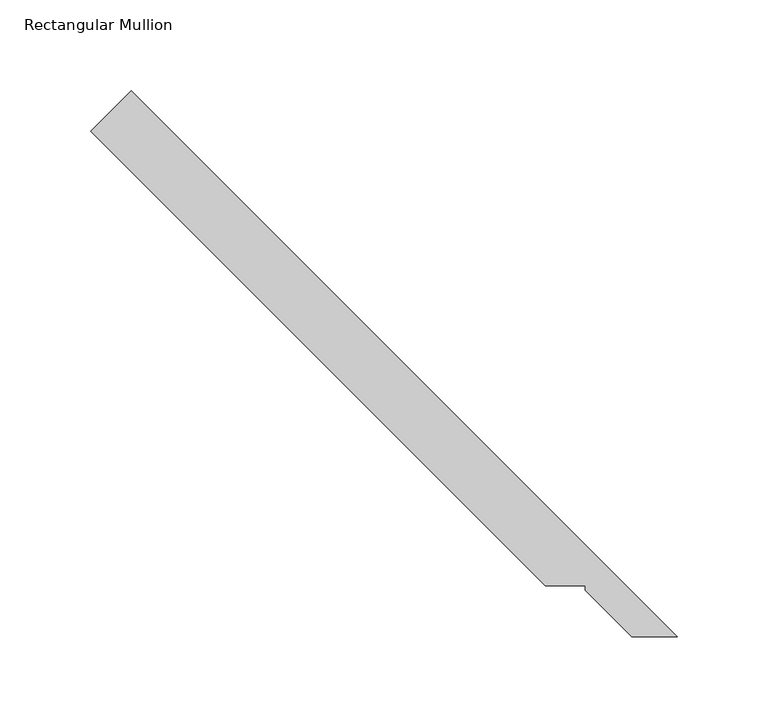
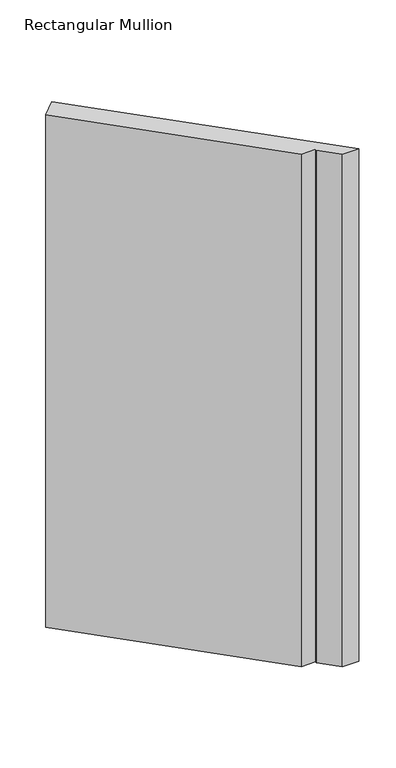
"""IFC4 building model written with IfcOpenShell, lengths in millimetres: member geometry, Rectangular Mullion."""

from ifc_helpers import new_model, si_unit, frame, origin, place, context, project, spatial, polyline, outline, extrude, source, transform, mapped, element, save


def rectangular_mullion_d638c360(model_context):
    return source(origin(), model_context, "Body", "SweptSolid", [
        extrude(outline(polyline([(-341.9998648, 297.0985842), (-319.5492245, 319.5492245), (-18.8515625, 18.8515625), (-43.922662, 18.8515625), (-69.4307458, 44.4684651), (-69.4307458, 46.7544651), (-91.6557458, 46.7544651), (-341.9998648, 297.0985842)])), frame((0.0, 0.0, -838.1845615), z_axis=(0.0, 0.0, 1.0), x_axis=(1.0, 0.0, 0.0)), (0.0, 0.0, 1.0), 838.1845615),
    ])


if __name__ == "__main__":
    model = new_model("IFC4")
    model_context = context("Model", 3, world=origin())
    ifc_project = project(units=[si_unit("LENGTHUNIT", "METRE", prefix="MILLI")], contexts=[model_context])
    site = spatial("IfcSite", under=ifc_project)
    building = spatial("IfcBuilding", under=site)
    placement = place(None, origin())
    rectangular_mullion_shape = rectangular_mullion_d638c360(model_context)
    element("IfcMember", 1, ObjectType="Rectangular Mullion", at=placement, inside=building, context=model_context, shape_type="MappedRepresentation", body=[
        mapped(rectangular_mullion_shape, transform((0.0, 0.0, 0.0), x_axis=(1.0, 0.0, 0.0), y_axis=(0.0, 1.0, 0.0), z_axis=(0.0, 0.0, 1.0))),
    ])
    save(model, "model.ifc")
